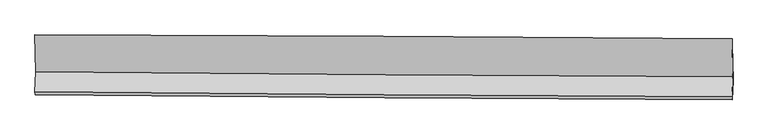
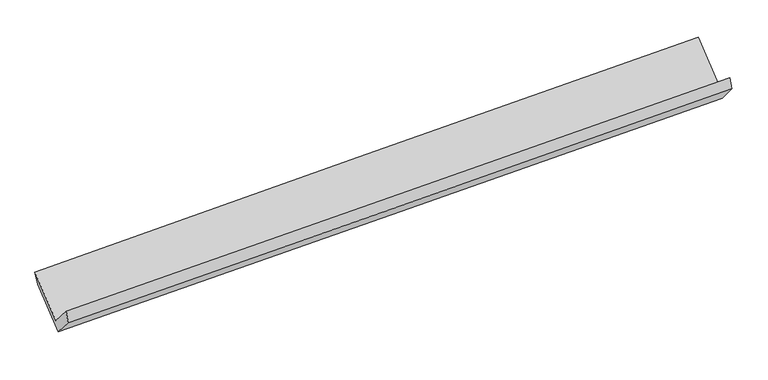
"""IFC4 building model written with IfcOpenShell, lengths in millimetres: proxy geometry."""

from ifc_helpers import new_model, si_unit, frame, origin, place, context, project, spatial, source, transform, mapped, element, save
from ifc_brep_helpers import plane_surface, spline_curve, spline_surface, advanced_brep


def generic_models_b4ba8b47(model_context):
    return source(origin(), model_context, "Body", "AdvancedBrep", [
        advanced_brep(
        [(-4768.8842792, -1671.0993262, 1654.0704483), (-4779.3672363, -1944.8482922, 1971.5108379), (4744.8611524, -2009.279233, 2230.4702429), (4755.3441095, -1735.530267, 1913.0298533), (-4775.1477382, -1985.4311565, 1821.1623983), (4749.0806505, -2049.8620973, 2080.1218033), (-4765.2098222, -1725.9152383, 1520.2267076), (4759.0185666, -1790.3461791, 1779.1861126), (-4775.5467106, -1229.4758126, 1947.9965277), (4748.6816782, -1293.9067534, 2206.9559326), (-4779.4227889, -1164.9768366, 2090.1839299), (4744.4901611, -1214.2585168, 2362.1970854)],
        [
            (0, 1),
            (1, 2, spline_curve(3, [(-4779.3672363, -1944.8482922, 1971.5108379), (-3187.448197656, -1958.127727883, 2012.629698778), (-1595.554834191, -1970.148343959, 2054.833271754), (1579.187673277, -1991.611142076, 2141.165294373), (3162.037105674, -2001.067505923, 2185.281523173), (4744.8611524, -2009.279233, 2230.4702429)], [4, 2, 4], [0.0, 15.674147632846354, 31.25974796733518])),
            (2, 3),
            (3, 0, spline_curve(3, [(4755.3441095, -1735.530267, 1913.0298533), (3172.520062774, -1727.318539923, 1867.841133573), (1589.670630377, -1717.862176076, 1823.724904773), (-1585.071877091, -1696.399377959, 1737.392882154), (-3176.965240556, -1684.378761883, 1695.189309178), (-4768.8842792, -1671.0993262, 1654.0704483)], [4, 2, 4], [0.0, 15.585600334488825, 31.25974796733518])),
            (1, 4),
            (4, 5, spline_curve(3, [(-4775.1477382, -1985.4311565, 1821.1623983), (-3183.228699556, -1998.710592183, 1862.281259178), (-1591.335335991, -2010.731208159, 1904.484832154), (1583.407171477, -2032.194006276, 1990.816854773), (3166.256603774, -2041.650370223, 2034.933083573), (4749.0806505, -2049.8620973, 2080.1218033)], [4, 2, 4], [0.0, 15.674147632846353, 31.259747967335176])),
            (5, 2),
            (4, 6),
            (6, 7, spline_curve(3, [(-4765.2098222, -1725.9152383, 1520.2267076), (-3173.290783556, -1739.194673983, 1561.345568478), (-1581.397419991, -1751.215289959, 1603.549141454), (1593.345087477, -1772.678088076, 1689.881164073), (3176.194519874, -1782.134452023, 1733.997392873), (4759.0185666, -1790.3461791, 1779.1861126)], [4, 2, 4], [0.0, 15.674147632846347, 31.259747967335166])),
            (7, 5),
            (6, 8),
            (8, 9, spline_curve(3, [(-4775.5467106, -1229.4758126, 1947.9965277), (-3183.838561542, -1232.627051878, 1997.842610109), (-1592.050343969, -1239.597914809, 2044.39743325), (1582.693353883, -1261.117928755, 2130.680153134), (3165.647932829, -1275.624046611, 2170.445131967), (4748.6816782, -1293.9067534, 2206.9559326)], [4, 2, 4], [0.0, 15.67413705797343, 31.259726877329513])),
            (9, 7),
            (8, 10),
            (10, 11, spline_curve(3, [(-4779.4227889, -1164.9768366, 2090.1839299), (-3187.661618416, -1170.674489915, 2137.835829047), (-1595.873400943, -1177.645352846, 2184.390651666), (1578.764553589, -1194.086924067, 2275.049343608), (3161.613986042, -1203.543288205, 2319.165572191), (4744.4901611, -1214.2585168, 2362.1970854)], [4, 2, 4], [0.0, 15.67413705797343, 31.259726877329513])),
            (11, 9),
            (10, 0),
            (3, 11),
        ],
        [
            spline_surface(3, 3, [[(-4768.8842792, -1671.0993262, 1654.0704483), (-3176.965240543, -1684.378761851, 1695.189309266), (-1585.071876847, -1696.399378195, 1737.39288213), (1589.670630135, -1717.862175841, 1823.724904797), (3172.520062638, -1727.318539773, 1867.84113363), (4755.3441095, -1735.530267, 1913.0298533)], [(-4772.378598241, -1762.348981542, 1759.883911495), (-3180.459559583, -1775.628417194, 1801.002772462), (-1588.566195888, -1787.649033537, 1843.206345325), (1586.176311094, -1809.111831184, 1929.538367993), (3169.025743597, -1818.568195116, 1973.654596826), (4751.849790459, -1826.779922342, 2018.843316495)], [(-4775.872917259, -1853.598636858, 1865.697374705), (-3183.953878602, -1866.878072509, 1906.816235671), (-1592.060514907, -1878.898688853, 1949.019808534), (1582.681992075, -1900.361486499, 2035.351831202), (3165.531424578, -1909.817850431, 2079.468060035), (4748.355471441, -1918.029577658, 2124.656779705)], [(-4779.3672363, -1944.8482922, 1971.5108379), (-3187.448197643, -1958.127727851, 2012.629698866), (-1595.554833947, -1970.148344195, 2054.83327173), (1579.187673035, -1991.611141841, 2141.165294397), (3162.037105538, -2001.067505773, 2185.28152323), (4744.8611524, -2009.279233, 2230.4702429)]], [4, 4], [4, 2, 4], [0.0, 1.3756729896385844], [0.0, 15.674147632846354, 31.25974796733518]),
            spline_surface(3, 3, [[(-4779.3672363, -1944.8482922, 1971.5108379), (-3187.448197643, -1958.127727851, 2012.629698866), (-1595.554833947, -1970.148344195, 2054.83327173), (1579.187673035, -1991.611141841, 2141.165294397), (3162.037105538, -2001.067505773, 2185.28152323), (4744.8611524, -2009.279233, 2230.4702429)], [(-4777.960736921, -1958.375913609, 1921.394691363), (-3186.041698263, -1971.655349261, 1962.513552329), (-1594.148334568, -1983.675965604, 2004.717125193), (1580.594172414, -2005.138763251, 2091.04914786), (3163.443604917, -2014.595127183, 2135.165376693), (4746.267651779, -2022.806854409, 2180.354096363)], [(-4776.554237579, -1971.903535091, 1871.278544837), (-3184.635198922, -1985.182970742, 1912.397405803), (-1592.741835126, -1997.203586986, 1954.600978667), (1582.000671856, -2018.666384632, 2040.933001334), (3164.850104258, -2028.122748664, 2085.049230167), (4747.674151121, -2036.334475891, 2130.237949837)], [(-4775.1477382, -1985.4311565, 1821.1623983), (-3183.228699543, -1998.710592151, 1862.281259266), (-1591.335335747, -2010.731208395, 1904.48483213), (1583.407171235, -2032.194006041, 1990.816854797), (3166.256603638, -2041.650370073, 2034.93308363), (4749.0806505, -2049.8620973, 2080.1218033)]], [4, 4], [4, 2, 4], [0.0, 0.5111104879067182], [0.0, 15.674147632846353, 31.259747967335176]),
            spline_surface(3, 3, [[(-4775.1477382, -1985.4311565, 1821.1623983), (-3183.228699543, -1998.710592151, 1862.281259266), (-1591.335335747, -2010.731208395, 1904.48483213), (1583.407171235, -2032.194006041, 1990.816854797), (3166.256603638, -2041.650370073, 2034.93308363), (4749.0806505, -2049.8620973, 2080.1218033)], [(-4771.835099517, -1898.925850443, 1720.850501402), (-3179.91606086, -1912.205286095, 1761.969362368), (-1588.022697065, -1924.225902338, 1804.172935232), (1586.719809917, -1945.688699985, 1890.5049579), (3169.56924232, -1955.145064017, 1934.621186733), (4752.393289183, -1963.356791243, 1979.809906402)], [(-4768.522460883, -1812.420544357, 1620.538604498), (-3176.603422225, -1825.699980008, 1661.657465464), (-1584.71005843, -1837.720596252, 1703.861038327), (1590.032448552, -1859.183393898, 1790.193060995), (3172.881881055, -1868.63975793, 1834.309289828), (4755.705927917, -1876.851485157, 1879.498009498)], [(-4765.2098222, -1725.9152383, 1520.2267076), (-3173.290783543, -1739.194673951, 1561.345568566), (-1581.397419747, -1751.215290195, 1603.54914143), (1593.345087235, -1772.678087841, 1689.881164097), (3176.194519738, -1782.134451873, 1733.99739293), (4759.0185666, -1790.3461791, 1779.1861126)]], [4, 4], [4, 2, 4], [0.0, 1.3041475341069315], [0.0, 15.674147632846347, 31.259747967335166]),
            plane_surface(frame((-4770.3782664, -1477.6955254, 1734.1116176), z_axis=(0.02500078448990107, 0.6528633881189868, -0.7570629810185459), x_axis=(-0.015771935814734128, 0.7574630256636496, 0.6526875292152634))),
            spline_surface(3, 3, [[(-4775.5467106, -1229.4758126, 1947.9965277), (-3183.838561793, -1232.62705181, 1997.842610044), (-1592.05034422, -1239.597914562, 2044.397433018), (1582.693354133, -1261.117929, 2130.680153364), (3165.647932858, -1275.624046523, 2170.445131986), (4748.6816782, -1293.9067534, 2206.9559326)], [(-4776.838736714, -1207.976153932, 1995.392328431), (-3185.112914049, -1211.976197856, 2044.507016327), (-1593.324696476, -1218.947060609, 2091.061839301), (1581.383754006, -1238.774260734, 2178.803216707), (3164.303283985, -1251.597127089, 2220.018612062), (4747.284505848, -1267.357341227, 2258.702983526)], [(-4778.130762786, -1186.476495268, 2042.788129169), (-3186.387266265, -1191.325343907, 2091.171422617), (-1594.599048792, -1198.29620666, 2137.726245591), (1580.07415382, -1216.430592473, 2226.926280058), (3162.958635069, -1227.570207573, 2269.59209216), (4745.887333452, -1240.807928973, 2310.450034474)], [(-4779.4227889, -1164.9768366, 2090.1839299), (-3187.661618521, -1170.674489953, 2137.835828899), (-1595.873401048, -1177.645352706, 2184.390651873), (1578.764553693, -1194.086924206, 2275.049343402), (3161.613986196, -1203.543288138, 2319.165572235), (4744.4901611, -1214.2585168, 2362.1970854)]], [4, 4], [4, 2, 4], [0.0, 0.5123191794227631], [0.0, 15.67413705797343, 31.259726877329513]),
            plane_surface(frame((-4774.1535341, -1418.0380814, 1872.1271891), z_axis=(-0.02500078448990105, -0.6528633881189841, 0.757062981018548), x_axis=(0.015771935814746646, -0.7574630256636518, -0.6526875292152605))),
            plane_surface(frame((4750.2460531, -1682.1971744, 2095.3268383), z_axis=(0.9995630079267401, -0.0043773515127166745, 0.029234089316786113), x_axis=(-0.024015827145425245, 0.4563546454972774, 0.8894738206263157))),
            plane_surface(frame((-4773.9297626, -1620.2911104, 1834.1918083), z_axis=(-0.9995630079267364, 0.00437735151281732, -0.029234089316902738), x_axis=(-0.01577193581474658, 0.757463025663652, 0.6526875292152603))),
        ],
        [
            (0, [[1, 2, 3, 4]]),
            (1, [[5, 6, 7, -2]]),
            (2, [[8, 9, 10, -6]]),
            (3, [[11, 12, 13, -9]]),
            (4, [[14, 15, 16, -12]]),
            (5, [[17, -4, 18, -15]]),
            (6, [[-16, -18, -3, -7, -10, -13]]),
            (7, [[-17, -14, -11, -8, -5, -1]]),
        ],
    ),
    ])


if __name__ == "__main__":
    model = new_model("IFC4")
    model_context = context("Model", 3, world=origin())
    ifc_project = project(units=[si_unit("LENGTHUNIT", "METRE", prefix="MILLI")], contexts=[model_context])
    site = spatial("IfcSite", under=ifc_project)
    building = spatial("IfcBuilding", under=site)
    placement = place(None, origin())
    generic_models_shape = generic_models_b4ba8b47(model_context)
    element("IfcBuildingElementProxy", 1, Name="Generic Models", at=placement, inside=building, context=model_context, shape_type="MappedRepresentation", body=[
        mapped(generic_models_shape, transform((0.0, 0.0, 0.0), x_axis=(1.0, 0.0, 0.0), y_axis=(0.0, 1.0, 0.0), z_axis=(0.0, 0.0, 1.0))),
    ])
    save(model, "model.ifc")
